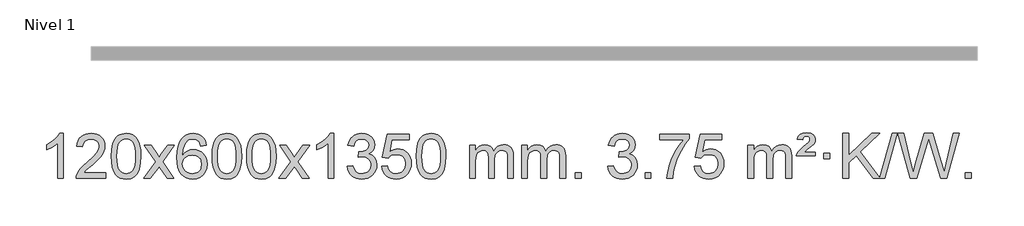
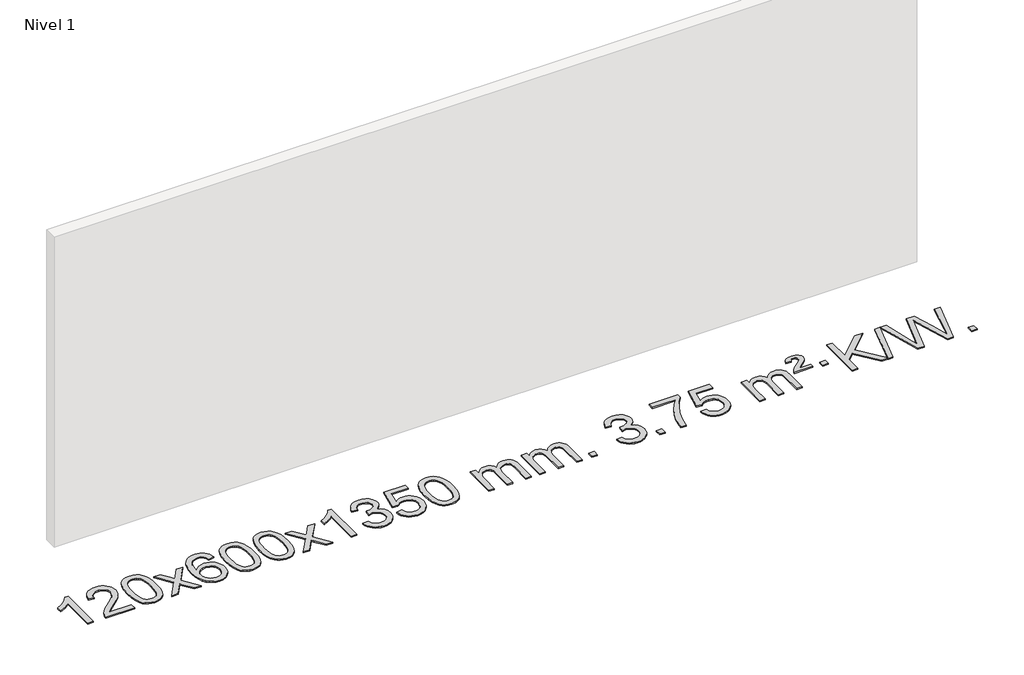
# One storey, part 2 of 9: 1 proxy.
"""IFC4 building model written with IfcOpenShell, lengths in millimetres."""

from ifc_helpers import new_model, si_unit, origin, origin_with_axes, place, context, project, spatial, polyline, outline, extrude, element, save

model = new_model("IFC4")

# Units and contexts
model_context = context("Model", 3, world=origin())
ifc_project = project(units=[si_unit("LENGTHUNIT", "METRE", prefix="MILLI")], contexts=[model_context])

# Site, building, storey
site = spatial("IfcSite", under=ifc_project)
building = spatial("IfcBuilding", under=site)
storey = spatial("IfcBuildingStorey", under=building, Name="Nivel 1", Elevation=0.0)

# Proxy
placement = place(None, origin())
element("IfcBuildingElementProxy", 1, Name="Texto de modelo 1", ObjectType="Texto de modelo 1", at=placement, inside=storey, context=model_context, shape_type="SweptSolid", body=[
    extrude(outline(polyline([(-13280.7598841, -12445.579453), (-13330.9880392, -12445.579453), (-13330.9880392, -12132.4382987), (-13351.9573129, -12149.3976587), (-13378.5674439, -12166.3324932), (-13431.4443494, -12191.6918254), (-13431.4443494, -12144.2105225), (-13391.9951367, -12122.7507395), (-13357.8188994, -12097.219729), (-13330.8776746, -12070.0700378), (-13313.1334997, -12043.7542124), (-13280.7598841, -12043.7542124), (-13280.7598841, -12445.579453)])), origin_with_axes(), (0.0, 0.0, 1.0), 10.0),
    extrude(outline(polyline([(-12904.0487211, -12395.3512979), (-12904.0487211, -12445.579453), (-13167.7465352, -12445.579453), (-13166.6428892, -12427.8965918), (-13162.3509326, -12410.9494945), (-13149.9655721, -12383.8856424), (-13131.8412525, -12357.6311307), (-13105.623529, -12330.1503456), (-13068.9579568, -12299.4076736), (-13014.7566761, -12251.2641831), (-12982.2359078, -12215.7267824), (-12965.9755236, -12186.884834), (-12960.5553955, -12158.8277005), (-12965.6689553, -12133.6768347), (-12981.0096345, -12112.7688747), (-13004.5908703, -12098.6789943), (-13034.4261002, -12093.9823675), (-13065.7573834, -12098.5686297), (-13090.0989088, -12112.3274163), (-13105.80747, -12134.1796068), (-13111.2398608, -12163.0460807), (-13161.4680158, -12156.7675613), (-13157.1484681, -12130.838012), (-13149.2911218, -12108.1826125), (-13137.895977, -12088.8013627), (-13122.9630337, -12072.6942627), (-13104.8356484, -12060.0329907), (-13083.8571776, -12050.989225), (-13060.0276213, -12045.5629655), (-13033.3469796, -12043.7542124), (-13006.4272146, -12045.7653006), (-12982.4688997, -12051.7985654), (-12961.4720348, -12061.8540066), (-12943.43662, -12075.9316242), (-12928.9512665, -12092.9890861), (-12918.6045853, -12111.9840598), (-12912.3965767, -12132.9165453), (-12910.3272405, -12155.7865427), (-12912.5590579, -12179.8092369), (-12919.2545102, -12203.4149983), (-12931.1370986, -12227.4254299), (-12948.9303245, -12252.6621347), (-12977.2940263, -12282.7916701), (-13020.8880427, -12321.4805933), (-13078.6700414, -12369.795762), (-13101.3315723, -12395.3512979), (-12904.0487211, -12395.3512979)])), origin_with_axes(), (0.0, 0.0, 1.0), 10.0),
    extrude(outline(polyline([(-12853.820566, -12247.9041943), (-12850.1294833, -12183.5861588), (-12839.0562353, -12132.2911459), (-12820.7111864, -12093.2343407), (-12808.8531234, -12078.0009605), (-12795.2047014, -12065.6309284), (-12779.7199351, -12056.0598651), (-12762.3528393, -12049.2233914), (-12721.9716589, -12043.7542124), (-12691.0205204, -12046.991574), (-12663.3067434, -12056.7036586), (-12640.1301777, -12072.5103217), (-12622.790673, -12094.0314184), (-12609.694074, -12121.0830078), (-12599.2462253, -12153.4811488), (-12592.4036202, -12194.6226186), (-12590.1227518, -12247.9041943), (-12593.7770463, -12311.8543477), (-12604.7399298, -12363.0267333), (-12622.974614, -12402.1203266), (-12634.8050858, -12417.3996922), (-12648.4443108, -12429.8341036), (-12663.9474712, -12439.4695462), (-12681.3697494, -12446.3520052), (-12721.9716589, -12451.8579724), (-12749.636385, -12449.4667394), (-12774.1618513, -12442.2930405), (-12795.548058, -12430.3368757), (-12813.7950049, -12413.5982449), (-12831.3061879, -12383.3399508), (-12843.8141757, -12345.6381776), (-12851.3189684, -12300.4929255), (-12853.820566, -12247.9041943)]), holes=[polyline([(-12803.5924109, -12247.8060924), (-12802.1208829, -12291.4706195), (-12797.706299, -12326.8148822), (-12790.3486591, -12353.8388804), (-12780.0479632, -12372.5426142), (-12767.5890263, -12385.2682656), (-12753.7566633, -12394.3580165), (-12738.5508742, -12399.8118671), (-12721.9716589, -12401.6298173), (-12705.3924437, -12399.8057357), (-12690.1866545, -12394.3334911), (-12676.3542915, -12385.2130833), (-12663.8953546, -12372.4445124), (-12653.5946588, -12353.7101217), (-12646.2370188, -12326.6922549), (-12641.8224349, -12291.3909118), (-12640.3509069, -12247.8060924), (-12641.773384, -12205.2973278), (-12646.0408151, -12170.5753989), (-12653.1532004, -12143.6403055), (-12663.1105397, -12124.4920476), (-12675.3610101, -12111.1440625), (-12689.3527887, -12101.6097875), (-12705.0858753, -12095.8892225), (-12722.5602701, -12093.9823675), (-12739.0536462, -12095.6623619), (-12754.001918, -12100.7023452), (-12767.4050853, -12109.1023175), (-12779.2631483, -12120.8622786), (-12789.9072007, -12141.708925), (-12797.5100953, -12169.8151094), (-12802.071832, -12205.1808319), (-12803.5924109, -12247.8060924)])]), origin_with_axes(), (0.0, 0.0, 1.0), 10.0),
    extrude(outline(polyline([(-12565.0086743, -12445.579453), (-12457.6852336, -12297.2494325), (-12558.7301549, -12150.4890419), (-12498.2994059, -12150.4890419), (-12449.5427788, -12221.122385), (-12426.783146, -12254.4770192), (-12407.064671, -12227.2047007), (-12351.5390152, -12150.4890419), (-12291.1082662, -12150.4890419), (-12397.2544845, -12297.2494325), (-12295.0323408, -12445.579453), (-12355.4630899, -12445.579453), (-12416.9729595, -12356.4048574), (-12428.254674, -12340.1199477), (-12504.5779252, -12445.579453), (-12565.0086743, -12445.579453)])), origin_with_axes(), (0.0, 0.0, 1.0), 10.0),
    extrude(outline(polyline([(-12006.2204491, -12150.4890419), (-12056.4486042, -12156.7675613), (-12064.5420081, -12131.874213), (-12075.4803661, -12114.8780648), (-12098.2645243, -12099.2062918), (-12125.806623, -12093.9823675), (-12149.154867, -12097.0235253), (-12171.1296848, -12106.1469988), (-12190.0020312, -12125.3627017), (-12205.4162868, -12151.8134171), (-12215.8273472, -12189.227016), (-12219.6901082, -12241.3313693), (-12199.5424376, -12217.8237098), (-12175.397116, -12201.2567573), (-12148.603044, -12191.434308), (-12120.5091223, -12188.1601582), (-12096.3760634, -12190.398107), (-12074.1069399, -12197.1119534), (-12053.7017519, -12208.3016975), (-12035.1604994, -12223.9673391), (-12019.7523752, -12243.1769106), (-12008.7465721, -12264.9984443), (-12002.1430903, -12289.4319401), (-11999.9419297, -12316.4773982), (-12004.0867335, -12352.4439945), (-12016.521145, -12385.786366), (-12036.2150944, -12414.0642287), (-12062.1385124, -12434.8372987), (-12093.1141764, -12447.602804), (-12127.964864, -12451.8579724), (-12157.9073928, -12449.0375437), (-12184.9497851, -12440.5762579), (-12209.092041, -12426.4741147), (-12230.3341606, -12406.7311143), (-12247.6522055, -12380.5133908), (-12260.0222376, -12346.9870783), (-12267.4442568, -12306.1521768), (-12269.9182632, -12258.0086864), (-12267.171411, -12204.0342663), (-12258.9308543, -12157.9693092), (-12245.1965932, -12119.8138149), (-12225.9686276, -12089.5677835), (-12205.1281125, -12069.5243462), (-12180.9643968, -12055.2076052), (-12153.4774804, -12046.6175606), (-12122.6673633, -12043.7542124), (-12099.5337172, -12045.5261773), (-12078.5951003, -12050.8420722), (-12059.8515126, -12059.7018969), (-12043.3029542, -12072.1056515), (-12029.3970148, -12087.6364031), (-12018.5812841, -12105.8772186), (-12010.8557622, -12126.8280983), (-12006.2204491, -12150.4890419)]), holes=[polyline([(-12219.6901082, -12315.6925832), (-12216.7838404, -12337.9494439), (-12208.0650371, -12359.2007605), (-12194.5269797, -12377.472233), (-12177.1629495, -12390.7895612), (-12156.2059385, -12398.9197533), (-12131.8889387, -12401.6298173), (-12098.7427709, -12396.0134855), (-12084.8276344, -12388.9930708), (-12072.6844629, -12379.1644901), (-12062.8344225, -12366.9262824), (-12055.7986793, -12352.6769865), (-12050.1700848, -12318.1451299), (-12055.7251029, -12284.9989621), (-12062.6688756, -12271.3781312), (-12072.3901573, -12259.725469), (-12084.570117, -12250.3904634), (-12098.8899237, -12243.7226022), (-12133.9490778, -12238.3883133), (-12167.0461947, -12243.7226022), (-12194.7231834, -12259.725469), (-12205.646213, -12271.2248471), (-12213.448377, -12284.3858254), (-12218.1296754, -12299.2084042), (-12219.6901082, -12315.6925832)])]), origin_with_axes(), (0.0, 0.0, 1.0), 10.0),
    extrude(outline(polyline([(-11955.992294, -12247.9041943), (-11952.3012113, -12183.5861588), (-11941.2279633, -12132.2911459), (-11922.8829145, -12093.2343407), (-11911.0248515, -12078.0009605), (-11897.3764295, -12065.6309284), (-11881.8916632, -12056.0598651), (-11864.5245673, -12049.2233914), (-11824.143387, -12043.7542124), (-11793.1922484, -12046.991574), (-11765.4784715, -12056.7036586), (-11742.3019058, -12072.5103217), (-11724.9624011, -12094.0314184), (-11711.865802, -12121.0830078), (-11701.4179534, -12153.4811488), (-11694.5753483, -12194.6226186), (-11692.2944799, -12247.9041943), (-11695.9487744, -12311.8543477), (-11706.9116578, -12363.0267333), (-11725.1463421, -12402.1203266), (-11736.9768139, -12417.3996922), (-11750.6160389, -12429.8341036), (-11766.1191993, -12439.4695462), (-11783.5414774, -12446.3520052), (-11824.143387, -12451.8579724), (-11851.808113, -12449.4667394), (-11876.3335793, -12442.2930405), (-11897.719786, -12430.3368757), (-11915.966733, -12413.5982449), (-11933.4779159, -12383.3399508), (-11945.9859038, -12345.6381776), (-11953.4906965, -12300.4929255), (-11955.992294, -12247.9041943)]), holes=[polyline([(-11905.764139, -12247.8060924), (-11904.292611, -12291.4706195), (-11899.878027, -12326.8148822), (-11892.5203871, -12353.8388804), (-11882.2196913, -12372.5426142), (-11869.7607544, -12385.2682656), (-11855.9283913, -12394.3580165), (-11840.7226022, -12399.8118671), (-11824.143387, -12401.6298173), (-11807.5641717, -12399.8057357), (-11792.3583826, -12394.3334911), (-11778.5260196, -12385.2130833), (-11766.0670827, -12372.4445124), (-11755.7663868, -12353.7101217), (-11748.4087469, -12326.6922549), (-11743.9941629, -12291.3909118), (-11742.522635, -12247.8060924), (-11743.945112, -12205.2973278), (-11748.2125432, -12170.5753989), (-11755.3249284, -12143.6403055), (-11765.2822677, -12124.4920476), (-11777.5327382, -12111.1440625), (-11791.5245167, -12101.6097875), (-11807.2576034, -12095.8892225), (-11824.7319982, -12093.9823675), (-11841.2253743, -12095.6623619), (-11856.173646, -12100.7023452), (-11869.5768134, -12109.1023175), (-11881.4348763, -12120.8622786), (-11892.0789287, -12141.708925), (-11899.6818233, -12169.8151094), (-11904.24356, -12205.1808319), (-11905.764139, -12247.8060924)])]), origin_with_axes(), (0.0, 0.0, 1.0), 10.0),
    extrude(outline(polyline([(-11648.3448442, -12247.9041943), (-11644.6537615, -12183.5861588), (-11633.5805135, -12132.2911459), (-11615.2354646, -12093.2343407), (-11603.3774017, -12078.0009605), (-11589.7289796, -12065.6309284), (-11574.2442133, -12056.0598651), (-11556.8771175, -12049.2233914), (-11516.4959371, -12043.7542124), (-11485.5447986, -12046.991574), (-11457.8310216, -12056.7036586), (-11434.6544559, -12072.5103217), (-11417.3149512, -12094.0314184), (-11404.2183522, -12121.0830078), (-11393.7705035, -12153.4811488), (-11386.9278984, -12194.6226186), (-11384.6470301, -12247.9041943), (-11388.3013245, -12311.8543477), (-11399.264208, -12363.0267333), (-11417.4988922, -12402.1203266), (-11429.3293641, -12417.3996922), (-11442.968589, -12429.8341036), (-11458.4717494, -12439.4695462), (-11475.8940276, -12446.3520052), (-11516.4959371, -12451.8579724), (-11544.1606632, -12449.4667394), (-11568.6861295, -12442.2930405), (-11590.0723362, -12430.3368757), (-11608.3192831, -12413.5982449), (-11625.8304661, -12383.3399508), (-11638.3384539, -12345.6381776), (-11645.8432466, -12300.4929255), (-11648.3448442, -12247.9041943)]), holes=[polyline([(-11598.1166891, -12247.8060924), (-11596.6451611, -12291.4706195), (-11592.2305772, -12326.8148822), (-11584.8729373, -12353.8388804), (-11574.5722414, -12372.5426142), (-11562.1133045, -12385.2682656), (-11548.2809415, -12394.3580165), (-11533.0751524, -12399.8118671), (-11516.4959371, -12401.6298173), (-11499.9167219, -12399.8057357), (-11484.7109327, -12394.3334911), (-11470.8785697, -12385.2130833), (-11458.4196328, -12372.4445124), (-11448.118937, -12353.7101217), (-11440.7612971, -12326.6922549), (-11436.3467131, -12291.3909118), (-11434.8751851, -12247.8060924), (-11436.2976622, -12205.2973278), (-11440.5650933, -12170.5753989), (-11447.6774786, -12143.6403055), (-11457.6348179, -12124.4920476), (-11469.8852883, -12111.1440625), (-11483.8770669, -12101.6097875), (-11499.6101535, -12095.8892225), (-11517.0845483, -12093.9823675), (-11533.5779244, -12095.6623619), (-11548.5261962, -12100.7023452), (-11561.9293635, -12109.1023175), (-11573.7874265, -12120.8622786), (-11584.4314789, -12141.708925), (-11592.0343735, -12169.8151094), (-11596.5961102, -12205.1808319), (-11598.1166891, -12247.8060924)])]), origin_with_axes(), (0.0, 0.0, 1.0), 10.0),
    extrude(outline(polyline([(-11359.5329525, -12445.579453), (-11252.2095118, -12297.2494325), (-11353.2544331, -12150.4890419), (-11292.8236841, -12150.4890419), (-11244.067057, -12221.122385), (-11221.3074242, -12254.4770192), (-11201.5889493, -12227.2047007), (-11146.0632934, -12150.4890419), (-11085.6325444, -12150.4890419), (-11191.7787627, -12297.2494325), (-11089.556619, -12445.579453), (-11149.9873681, -12445.579453), (-11211.4972377, -12356.4048574), (-11222.7789522, -12340.1199477), (-11299.1022034, -12445.579453), (-11359.5329525, -12445.579453)])), origin_with_axes(), (0.0, 0.0, 1.0), 10.0),
    extrude(outline(polyline([(-10869.8084405, -12445.579453), (-10920.0365956, -12445.579453), (-10920.0365956, -12132.4382987), (-10941.0058693, -12149.3976587), (-10967.6160003, -12166.3324932), (-11020.4929058, -12191.6918254), (-11020.4929058, -12144.2105225), (-10981.0436931, -12122.7507395), (-10946.8674558, -12097.219729), (-10919.926231, -12070.0700378), (-10902.1820561, -12043.7542124), (-10869.8084405, -12043.7542124), (-10869.8084405, -12445.579453)])), origin_with_axes(), (0.0, 0.0, 1.0), 10.0),
    extrude(outline(polyline([(-10750.5165722, -12338.8446235), (-10700.2884172, -12332.5661041), (-10689.0434908, -12364.1303793), (-10672.5746402, -12385.4430095), (-10650.0725248, -12397.5831154), (-10620.7278043, -12401.6298173), (-10586.2940496, -12396.0625364), (-10572.0202282, -12389.1034354), (-10559.7084441, -12379.3606939), (-10542.7122959, -12354.4428201), (-10537.0469132, -12324.2274455), (-10542.663245, -12295.5449126), (-10559.5122403, -12272.2825078), (-10585.0187253, -12256.8682522), (-10616.607526, -12251.730167), (-10651.8260957, -12257.2238715), (-10646.2342893, -12206.9957164), (-10638.1899364, -12207.5843276), (-10608.0971892, -12203.979084), (-10581.1927526, -12193.1633534), (-10570.1195045, -12184.9841103), (-10562.2100416, -12174.8673555), (-10557.4643639, -12162.8130888), (-10555.8824713, -12148.8213102), (-10560.4687335, -12127.1285352), (-10574.2275201, -12109.5315131), (-10595.2213193, -12097.8696539), (-10621.5126193, -12093.9823675), (-10647.8529701, -12097.9064421), (-10669.3863296, -12109.6786659), (-10685.1071535, -12129.299039), (-10694.0098978, -12156.7675613), (-10744.2380529, -12150.4890419), (-10738.2844959, -12126.5092672), (-10729.4491966, -12105.3867093), (-10717.7321551, -12087.1213683), (-10703.1333713, -12071.713244), (-10686.1126976, -12059.4811677), (-10667.1299867, -12050.7439703), (-10646.1852384, -12045.5016519), (-10623.2784528, -12043.7542124), (-10591.7019149, -12047.2000404), (-10562.700551, -12057.5375245), (-10538.248661, -12073.8469596), (-10520.3205451, -12095.2086408), (-10509.3208735, -12119.8199463), (-10505.6543162, -12145.8782543), (-10509.1369325, -12170.1584659), (-10519.5847811, -12192.1823347), (-10536.8507094, -12210.9443165), (-10560.7875646, -12225.4388671), (-10529.3459167, -12238.1430586), (-10506.0467237, -12259.77452), (-10491.6257495, -12289.1560286), (-10486.8187581, -12325.1103623), (-10489.2222538, -12350.5923218), (-10496.4327409, -12374.0631931), (-10508.4502194, -12395.5229762), (-10525.2746893, -12414.971671), (-10545.7718478, -12431.1094278), (-10568.8073921, -12442.636397), (-10594.3813221, -12449.5525785), (-10622.4936379, -12451.8579724), (-10647.902021, -12449.8898037), (-10671.0540613, -12443.9852977), (-10691.9497586, -12434.1444543), (-10710.589113, -12420.3672736), (-10726.2179665, -12403.4630959), (-10738.0821608, -12384.2412617), (-10746.1816961, -12362.7017708), (-10750.5165722, -12338.8446235)])), origin_with_axes(), (0.0, 0.0, 1.0), 10.0),
    extrude(outline(polyline([(-10442.8691224, -12338.8446235), (-10392.6409673, -12332.5661041), (-10383.419392, -12362.7201649), (-10367.3306861, -12384.3148381), (-10344.448426, -12397.3010725), (-10314.8461881, -12401.6298173), (-10295.7163243, -12400.1245668), (-10278.8428035, -12395.6088153), (-10264.2256255, -12388.0825628), (-10251.8647905, -12377.5458094), (-10242.0362099, -12364.519721), (-10235.0157951, -12349.5254641), (-10229.3994633, -12313.6324441), (-10234.6601759, -12279.8363514), (-10241.2360665, -12265.9181493), (-10250.4423135, -12253.9865099), (-10262.3095735, -12244.4154467), (-10276.8685034, -12237.5789729), (-10314.0613732, -12232.1097939), (-10338.427424, -12234.2925604), (-10358.1581616, -12240.8408599), (-10373.9157738, -12250.8717757), (-10386.3624479, -12263.5023908), (-10436.590603, -12257.2238715), (-10392.6409673, -12050.0327318), (-10198.0068664, -12050.0327318), (-10198.0068664, -12100.2608869), (-10352.0267951, -12100.2608869), (-10373.5111036, -12210.919791), (-10355.7853228, -12198.2155994), (-10337.6303463, -12189.1411769), (-10319.0461742, -12183.6965234), (-10300.0328064, -12181.8816388), (-10275.5717194, -12184.1318504), (-10253.1033266, -12190.882485), (-10232.6276278, -12202.1335427), (-10214.1446233, -12217.8850234), (-10198.843798, -12237.1743027), (-10187.914637, -12259.038756), (-10181.3571404, -12283.4783832), (-10179.1713083, -12310.4931844), (-10181.1394769, -12336.5147042), (-10187.043983, -12360.7213394), (-10196.8848263, -12383.1130902), (-10210.662007, -12403.6899565), (-10231.5331789, -12424.7634634), (-10255.886967, -12439.8159684), (-10283.7233713, -12448.8474714), (-10315.0423918, -12451.8579724), (-10340.9627441, -12449.9235262), (-10364.3753674, -12444.1201877), (-10385.2802617, -12434.447957), (-10403.6774272, -12420.9068338), (-10418.9843839, -12404.1712688), (-10430.618652, -12384.915712), (-10438.5802315, -12363.1401636), (-10442.8691224, -12338.8446235)])), origin_with_axes(), (0.0, 0.0, 1.0), 10.0),
    extrude(outline(polyline([(-10135.2216726, -12247.9041943), (-10131.5305899, -12183.5861588), (-10120.4573418, -12132.2911459), (-10102.112293, -12093.2343407), (-10090.25423, -12078.0009605), (-10076.605808, -12065.6309284), (-10061.1210417, -12056.0598651), (-10043.7539458, -12049.2233914), (-10003.3727655, -12043.7542124), (-9972.421627, -12046.991574), (-9944.70785, -12056.7036586), (-9921.5312843, -12072.5103217), (-9904.1917796, -12094.0314184), (-9891.0951806, -12121.0830078), (-9880.6473319, -12153.4811488), (-9873.8047268, -12194.6226186), (-9871.5238584, -12247.9041943), (-9875.1781529, -12311.8543477), (-9886.1410364, -12363.0267333), (-9904.3757206, -12402.1203266), (-9916.2061924, -12417.3996922), (-9929.8454174, -12429.8341036), (-9945.3485778, -12439.4695462), (-9962.770856, -12446.3520052), (-10003.3727655, -12451.8579724), (-10031.0374915, -12449.4667394), (-10055.5629579, -12442.2930405), (-10076.9491645, -12430.3368757), (-10095.1961115, -12413.5982449), (-10112.7072945, -12383.3399508), (-10125.2152823, -12345.6381776), (-10132.720075, -12300.4929255), (-10135.2216726, -12247.9041943)]), holes=[polyline([(-10084.9935175, -12247.8060924), (-10083.5219895, -12291.4706195), (-10079.1074056, -12326.8148822), (-10071.7497657, -12353.8388804), (-10061.4490698, -12372.5426142), (-10048.9901329, -12385.2682656), (-10035.1577699, -12394.3580165), (-10019.9519807, -12399.8118671), (-10003.3727655, -12401.6298173), (-9986.7935502, -12399.8057357), (-9971.5877611, -12394.3334911), (-9957.7553981, -12385.2130833), (-9945.2964612, -12372.4445124), (-9934.9957653, -12353.7101217), (-9927.6381254, -12326.6922549), (-9923.2235415, -12291.3909118), (-9921.7520135, -12247.8060924), (-9923.1744905, -12205.2973278), (-9927.4419217, -12170.5753989), (-9934.5543069, -12143.6403055), (-9944.5116463, -12124.4920476), (-9956.7621167, -12111.1440625), (-9970.7538953, -12101.6097875), (-9986.4869819, -12095.8892225), (-10003.9613767, -12093.9823675), (-10020.4547528, -12095.6623619), (-10035.4030245, -12100.7023452), (-10048.8061919, -12109.1023175), (-10060.6642549, -12120.8622786), (-10071.3083073, -12141.708925), (-10078.9112018, -12169.8151094), (-10083.4729386, -12205.1808319), (-10084.9935175, -12247.8060924)])]), origin_with_axes(), (0.0, 0.0, 1.0), 10.0),
    extrude(outline(polyline([(-9658.0541994, -12445.579453), (-9658.0541994, -12150.4890419), (-9607.8260443, -12150.4890419), (-9607.8260443, -12199.0494653), (-9592.718357, -12176.7435537), (-9573.2941877, -12159.2691589), (-9550.2157238, -12147.9751816), (-9524.1451531, -12144.2105225), (-9496.2106469, -12148.048758), (-9473.8188962, -12159.5634645), (-9457.0925281, -12177.9943524), (-9446.1541701, -12202.5811324), (-9427.8459095, -12177.0439906), (-9406.9624749, -12158.803175), (-9383.5038664, -12147.8586857), (-9357.4700838, -12144.2105225), (-9337.3622671, -12145.7280358), (-9319.7131284, -12150.2805755), (-9304.5226677, -12157.8681416), (-9291.790885, -12168.4907342), (-9281.7262467, -12182.2709806), (-9274.5372194, -12199.3315082), (-9270.223803, -12219.6723168), (-9268.7859975, -12243.2934066), (-9268.7859975, -12445.579453), (-9319.0141526, -12445.579453), (-9319.0141526, -12264.875817), (-9320.1791123, -12239.8230531), (-9323.6739912, -12222.9372695), (-9330.2222907, -12211.3735121), (-9340.5475121, -12202.2868268), (-9353.8280521, -12196.4007149), (-9369.2423077, -12194.4386776), (-9396.4533126, -12199.4663982), (-9418.6365969, -12214.54956), (-9427.2419699, -12226.1194488), (-9433.3886649, -12240.7182326), (-9438.3060209, -12279.0024856), (-9438.3060209, -12445.579453), (-9488.534176, -12445.579453), (-9488.534176, -12259.2840106), (-9491.4404437, -12230.8835206), (-9500.159247, -12210.6254854), (-9515.4999262, -12198.4853796), (-9538.2718217, -12194.4386776), (-9557.6224147, -12197.1364789), (-9575.4524287, -12205.2298828), (-9590.1677085, -12218.5226856), (-9600.1740988, -12236.8186835), (-9605.9130579, -12262.2025411), (-9607.8260443, -12296.7589232), (-9607.8260443, -12445.579453), (-9658.0541994, -12445.579453)])), origin_with_axes(), (0.0, 0.0, 1.0), 10.0),
    extrude(outline(polyline([(-9193.4437649, -12445.579453), (-9193.4437649, -12150.4890419), (-9143.2156098, -12150.4890419), (-9143.2156098, -12199.0494653), (-9128.1079226, -12176.7435537), (-9108.6837532, -12159.2691589), (-9085.6052894, -12147.9751816), (-9059.5347187, -12144.2105225), (-9031.6002125, -12148.048758), (-9009.2084617, -12159.5634645), (-8992.4820937, -12177.9943524), (-8981.5437357, -12202.5811324), (-8963.2354751, -12177.0439906), (-8942.3520405, -12158.803175), (-8918.8934319, -12147.8586857), (-8892.8596494, -12144.2105225), (-8872.7518327, -12145.7280358), (-8855.102694, -12150.2805755), (-8839.9122332, -12157.8681416), (-8827.1804505, -12168.4907342), (-8817.1158123, -12182.2709806), (-8809.9267849, -12199.3315082), (-8805.6133686, -12219.6723168), (-8804.1755631, -12243.2934066), (-8804.1755631, -12445.579453), (-8854.4037182, -12445.579453), (-8854.4037182, -12264.875817), (-8855.5686778, -12239.8230531), (-8859.0635568, -12222.9372695), (-8865.6118563, -12211.3735121), (-8875.9370776, -12202.2868268), (-8889.2176176, -12196.4007149), (-8904.6318732, -12194.4386776), (-8931.8428781, -12199.4663982), (-8954.0261625, -12214.54956), (-8962.6315355, -12226.1194488), (-8968.7782305, -12240.7182326), (-8973.6955865, -12279.0024856), (-8973.6955865, -12445.579453), (-9023.9237415, -12445.579453), (-9023.9237415, -12259.2840106), (-9026.8300093, -12230.8835206), (-9035.5488126, -12210.6254854), (-9050.8894918, -12198.4853796), (-9073.6613873, -12194.4386776), (-9093.0119802, -12197.1364789), (-9110.8419943, -12205.2298828), (-9125.5572741, -12218.5226856), (-9135.5636643, -12236.8186835), (-9141.3026235, -12262.2025411), (-9143.2156098, -12296.7589232), (-9143.2156098, -12445.579453), (-9193.4437649, -12445.579453)])), origin_with_axes(), (0.0, 0.0, 1.0), 10.0),
    extrude(outline(polyline([(-8716.2762917, -12445.579453), (-8716.2762917, -12395.3512979), (-8666.0481366, -12395.3512979), (-8666.0481366, -12445.579453), (-8716.2762917, -12445.579453)])), origin_with_axes(), (0.0, 0.0, 1.0), 10.0),
    extrude(outline(polyline([(-8427.4644, -12338.8446235), (-8377.236245, -12332.5661041), (-8365.9913186, -12364.1303793), (-8349.522468, -12385.4430095), (-8327.0203526, -12397.5831154), (-8297.6756321, -12401.6298173), (-8263.2418774, -12396.0625364), (-8248.968056, -12389.1034354), (-8236.6562719, -12379.3606939), (-8219.6601237, -12354.4428201), (-8213.994741, -12324.2274455), (-8219.6110728, -12295.5449126), (-8236.4600681, -12272.2825078), (-8261.9665531, -12256.8682522), (-8293.5553538, -12251.730167), (-8328.7739235, -12257.2238715), (-8323.1821171, -12206.9957164), (-8315.1377642, -12207.5843276), (-8285.045017, -12203.979084), (-8258.1405804, -12193.1633534), (-8247.0673323, -12184.9841103), (-8239.1578694, -12174.8673555), (-8234.4121917, -12162.8130888), (-8232.8302991, -12148.8213102), (-8237.4165613, -12127.1285352), (-8251.1753479, -12109.5315131), (-8272.1691471, -12097.8696539), (-8298.4604471, -12093.9823675), (-8324.8007979, -12097.9064421), (-8346.3341574, -12109.6786659), (-8362.0549813, -12129.299039), (-8370.9577256, -12156.7675613), (-8421.1858806, -12150.4890419), (-8415.2323237, -12126.5092672), (-8406.3970244, -12105.3867093), (-8394.6799829, -12087.1213683), (-8380.081199, -12071.713244), (-8363.0605254, -12059.4811677), (-8344.0778145, -12050.7439703), (-8323.1330662, -12045.5016519), (-8300.2262806, -12043.7542124), (-8268.6497427, -12047.2000404), (-8239.6483788, -12057.5375245), (-8215.1964888, -12073.8469596), (-8197.2683729, -12095.2086408), (-8186.2687013, -12119.8199463), (-8182.602144, -12145.8782543), (-8186.0847603, -12170.1584659), (-8196.5326089, -12192.1823347), (-8213.7985372, -12210.9443165), (-8237.7353924, -12225.4388671), (-8206.2937445, -12238.1430586), (-8182.9945515, -12259.77452), (-8168.5735773, -12289.1560286), (-8163.7665859, -12325.1103623), (-8166.1700816, -12350.5923218), (-8173.3805687, -12374.0631931), (-8185.3980472, -12395.5229762), (-8202.2225171, -12414.971671), (-8222.7196756, -12431.1094278), (-8245.7552199, -12442.636397), (-8271.3291499, -12449.5525785), (-8299.4414657, -12451.8579724), (-8324.8498488, -12449.8898037), (-8348.0018891, -12443.9852977), (-8368.8975864, -12434.1444543), (-8387.5369408, -12420.3672736), (-8403.1657942, -12403.4630959), (-8415.0299886, -12384.2412617), (-8423.1295238, -12362.7017708), (-8427.4644, -12338.8446235)])), origin_with_axes(), (0.0, 0.0, 1.0), 10.0),
    extrude(outline(polyline([(-8094.7028727, -12445.579453), (-8094.7028727, -12395.3512979), (-8044.4747176, -12395.3512979), (-8044.4747176, -12445.579453), (-8094.7028727, -12445.579453)])), origin_with_axes(), (0.0, 0.0, 1.0), 10.0),
    extrude(outline(polyline([(-7962.8539656, -12100.2608869), (-7962.8539656, -12050.0327318), (-7699.1561514, -12050.0327318), (-7699.1561514, -12090.646904), (-7736.7414286, -12138.214046), (-7773.9588238, -12198.7061088), (-7806.7861605, -12266.6048623), (-7831.2012622, -12336.3920768), (-7843.1696898, -12388.6067947), (-7849.8406167, -12445.579453), (-7900.0687717, -12445.579453), (-7894.6363809, -12393.8061935), (-7880.1050421, -12332.2717985), (-7856.8671628, -12267.0463207), (-7825.3151503, -12204.1998132), (-7788.4778999, -12147.3865704), (-7749.3843065, -12100.2608869), (-7962.8539656, -12100.2608869)])), origin_with_axes(), (0.0, 0.0, 1.0), 10.0),
    extrude(outline(polyline([(-7655.2065158, -12338.8446235), (-7604.9783607, -12332.5661041), (-7595.7567853, -12362.7201649), (-7579.6680794, -12384.3148381), (-7556.7858193, -12397.3010725), (-7527.1835814, -12401.6298173), (-7508.0537177, -12400.1245668), (-7491.1801968, -12395.6088153), (-7476.5630189, -12388.0825628), (-7464.2021839, -12377.5458094), (-7454.3736032, -12364.519721), (-7447.3531885, -12349.5254641), (-7441.7368567, -12313.6324441), (-7446.9975692, -12279.8363514), (-7453.5734599, -12265.9181493), (-7462.7797068, -12253.9865099), (-7474.6469668, -12244.4154467), (-7489.2058968, -12237.5789729), (-7526.3987665, -12232.1097939), (-7550.7648173, -12234.2925604), (-7570.495555, -12240.8408599), (-7586.2531671, -12250.8717757), (-7598.6998413, -12263.5023908), (-7648.9279964, -12257.2238715), (-7604.9783607, -12050.0327318), (-7410.3442598, -12050.0327318), (-7410.3442598, -12100.2608869), (-7564.3641884, -12100.2608869), (-7585.8484969, -12210.919791), (-7568.1227161, -12198.2155994), (-7549.9677397, -12189.1411769), (-7531.3835675, -12183.6965234), (-7512.3701998, -12181.8816388), (-7487.9091128, -12184.1318504), (-7465.4407199, -12190.882485), (-7444.9650212, -12202.1335427), (-7426.4820166, -12217.8850234), (-7411.1811913, -12237.1743027), (-7400.2520304, -12259.038756), (-7393.6945338, -12283.4783832), (-7391.5087016, -12310.4931844), (-7393.4768703, -12336.5147042), (-7399.3813763, -12360.7213394), (-7409.2222197, -12383.1130902), (-7422.9994004, -12403.6899565), (-7443.8705723, -12424.7634634), (-7468.2243603, -12439.8159684), (-7496.0607646, -12448.8474714), (-7527.3797852, -12451.8579724), (-7553.3001374, -12449.9235262), (-7576.7127607, -12444.1201877), (-7597.6176551, -12434.447957), (-7616.0148205, -12420.9068338), (-7631.3217772, -12404.1712688), (-7642.9560453, -12384.915712), (-7650.9176248, -12363.1401636), (-7655.2065158, -12338.8446235)])), origin_with_axes(), (0.0, 0.0, 1.0), 10.0),
    extrude(outline(polyline([(-7178.0390425, -12445.579453), (-7178.0390425, -12150.4890419), (-7127.8108875, -12150.4890419), (-7127.8108875, -12199.0494653), (-7112.7032002, -12176.7435537), (-7093.2790309, -12159.2691589), (-7070.200567, -12147.9751816), (-7044.1299963, -12144.2105225), (-7016.1954901, -12148.048758), (-6993.8037394, -12159.5634645), (-6977.0773713, -12177.9943524), (-6966.1390133, -12202.5811324), (-6947.8307527, -12177.0439906), (-6926.9473181, -12158.803175), (-6903.4887095, -12147.8586857), (-6877.454927, -12144.2105225), (-6857.3471103, -12145.7280358), (-6839.6979716, -12150.2805755), (-6824.5075109, -12157.8681416), (-6811.7757281, -12168.4907342), (-6801.7110899, -12182.2709806), (-6794.5220626, -12199.3315082), (-6790.2086462, -12219.6723168), (-6788.7708407, -12243.2934066), (-6788.7708407, -12445.579453), (-6838.9989958, -12445.579453), (-6838.9989958, -12264.875817), (-6840.1639554, -12239.8230531), (-6843.6588344, -12222.9372695), (-6850.2071339, -12211.3735121), (-6860.5323552, -12202.2868268), (-6873.8128953, -12196.4007149), (-6889.2271509, -12194.4386776), (-6916.4381558, -12199.4663982), (-6938.6214401, -12214.54956), (-6947.2268131, -12226.1194488), (-6953.3735081, -12240.7182326), (-6958.2908641, -12279.0024856), (-6958.2908641, -12445.579453), (-7008.5190192, -12445.579453), (-7008.5190192, -12259.2840106), (-7011.4252869, -12230.8835206), (-7020.1440902, -12210.6254854), (-7035.4847694, -12198.4853796), (-7058.2566649, -12194.4386776), (-7077.6072579, -12197.1364789), (-7095.4372719, -12205.2298828), (-7110.1525517, -12218.5226856), (-7120.158942, -12236.8186835), (-7125.8979011, -12262.2025411), (-7127.8108875, -12296.7589232), (-7127.8108875, -12445.579453), (-7178.0390425, -12445.579453)])), origin_with_axes(), (0.0, 0.0, 1.0), 10.0),
    extrude(outline(polyline([(-6744.821205, -12244.6668327), (-6740.9952323, -12228.8479069), (-6732.6565737, -12212.9799302), (-6711.1477397, -12187.8413272), (-6679.1910571, -12160.1030247), (-6635.0452177, -12122.726214), (-6627.908307, -12111.1992448), (-6625.5293367, -12099.3779701), (-6627.4177976, -12087.2869152), (-6633.0831804, -12077.5012541), (-6642.4519085, -12071.026531), (-6655.4504057, -12068.8682899), (-6667.8848171, -12070.4869707), (-6676.7385104, -12075.343013), (-6683.1641826, -12084.8098431), (-6688.3145306, -12100.2608869), (-6738.5426856, -12093.9823675), (-6727.7024295, -12068.7701881), (-6711.0741633, -12051.2099542), (-6687.3089864, -12040.9092583), (-6655.0579982, -12037.475693), (-6619.2753428, -12041.6082341), (-6594.5291473, -12054.0058573), (-6580.108173, -12072.3386434), (-6575.3011816, -12094.2766731), (-6579.3969345, -12117.1834586), (-6591.6841932, -12138.8149199), (-6612.2120085, -12158.6314968), (-6648.6813769, -12186.6886303), (-6674.2859638, -12213.2742358), (-6575.3011816, -12213.2742358), (-6575.3011816, -12244.6668327), (-6744.821205, -12244.6668327)])), origin_with_axes(), (0.0, 0.0, 1.0), 10.0),
    extrude(outline(polyline([(-6499.958949, -12269.7809102), (-6499.958949, -12219.5527552), (-6449.730794, -12219.5527552), (-6449.730794, -12269.7809102), (-6499.958949, -12269.7809102)])), origin_with_axes(), (0.0, 0.0, 1.0), 10.0),
    extrude(outline(polyline([(-6059.089166, -12445.579453), (-6212.5204835, -12242.9009991), (-6280.2107706, -12307.4520265), (-6280.2107706, -12445.579453), (-6330.4389257, -12445.579453), (-6330.4389257, -12043.7542124), (-6280.2107706, -12043.7542124), (-6280.2107706, -12240.4484525), (-6074.1968533, -12043.7542124), (-6003.9559177, -12043.7542124), (-6176.9095063, -12208.9577537), (-6002.2558965, -12439.5349332), (-5890.9425687, -12043.7542124), (-5845.6195069, -12043.7542124), (-5958.6328559, -12445.579453), (-5997.6773983, -12445.579453), (-6003.9559177, -12445.579453), (-6059.089166, -12445.579453)])), origin_with_axes(), (0.0, 0.0, 1.0), 10.0),
    extrude(outline(polyline([(-5731.13463, -12445.579453), (-5840.7144137, -12043.7542124), (-5788.9166288, -12043.7542124), (-5725.34662, -12307.844434), (-5705.7262469, -12389.3670841), (-5684.7324477, -12317.2622131), (-5605.073733, -12043.7542124), (-5530.4182135, -12043.7542124), (-5472.5381129, -12242.0180823), (-5447.7428664, -12315.5944814), (-5429.471394, -12389.3670841), (-5410.4396321, -12310.1988788), (-5346.2810122, -12043.7542124), (-5294.4832272, -12043.7542124), (-5404.1611127, -12445.579453), (-5457.8228331, -12445.579453), (-5554.1588649, -12135.5775584), (-5567.5988205, -12092.3146358), (-5582.7065077, -12144.4067263), (-5670.5076772, -12445.579453), (-5731.13463, -12445.579453)])), origin_with_axes(), (0.0, 0.0, 1.0), 10.0),
    extrude(outline(polyline([(-5237.9765528, -12445.579453), (-5237.9765528, -12395.3512979), (-5187.7483977, -12395.3512979), (-5187.7483977, -12445.579453), (-5237.9765528, -12445.579453)])), origin_with_axes(), (0.0, 0.0, 1.0), 10.0),
])

save(model, "model.ifc")
